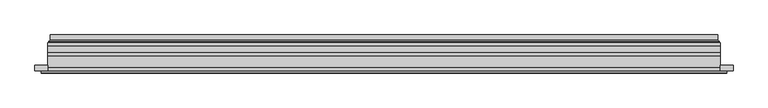
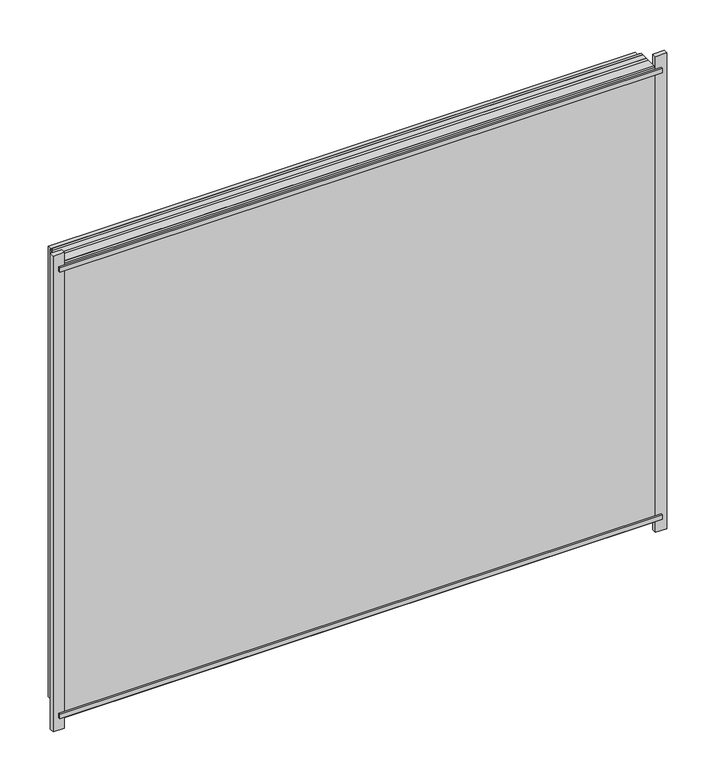
"""IFC4 building model written with IfcOpenShell, lengths in millimetres: plate geometry."""

import ifcopenshell
import ifcopenshell.guid

model = None  # the IFC model being written
_history = None  # IfcOwnerHistory: only IFC2X3 demands one
_inside = {}  # id of a spatial element -> (the spatial element, [elements in it])
_under = {}  # id of a project, library or spatial element -> (it, [spatial elements below it])
_declared = {}  # id of a project -> (the project, [libraries it declares])
_typed = {}  # id of a type object -> (the type object, [elements of that type])
_made_of = {}  # id of a material, layer set ... -> (it, [elements and type objects made of it])


def new_model(schema):
    """Start an empty IFC model of exactly this schema.

    Asked for "IFC4X3", IfcOpenShell would pick the latest addendum, in which some entities
    have other attributes; the version numbers below select the first issue.
    IFC2X3 requires an IfcOwnerHistory on every rooted entity: one is made here for all.
    """
    global model, _history
    if schema == "IFC4X3":
        model = ifcopenshell.file(schema_version=(4, 3, 0, 0))
    else:
        model = ifcopenshell.file(schema=schema)
    _inside.clear()
    _under.clear()
    _declared.clear()
    _typed.clear()
    _made_of.clear()
    _history = None
    if model.schema == "IFC2X3":
        org = make("IfcOrganization", Name="unknown")
        user = make(
            "IfcPersonAndOrganization",
            ThePerson=make("IfcPerson", FamilyName="unknown"),
            TheOrganization=org,
        )
        app = make(
            "IfcApplication",
            ApplicationDeveloper=org,
            Version="unknown",
            ApplicationFullName="unknown",
            ApplicationIdentifier="unknown",
        )
        _history = make(
            "IfcOwnerHistory",
            OwningUser=user,
            OwningApplication=app,
            ChangeAction="ADDED",
            CreationDate=0,
        )
    return model


def make(cls, **values):
    """One entity of the class cls with the attributes given. An attribute that is None is left unset."""
    return model.create_entity(
        cls, **{name: value for name, value in values.items() if value is not None}
    )


def rooted(cls, **values):
    """An entity with a GlobalId (a new one), such as an element, a storey or a relation."""
    return make(cls, GlobalId=ifcopenshell.guid.new(), OwnerHistory=_history, **values)


def si_unit(unit_type, name, prefix=None):
    """IfcSIUnit, for example si_unit("LENGTHUNIT", "METRE", prefix="MILLI")."""
    return make("IfcSIUnit", UnitType=unit_type, Prefix=prefix, Name=name)


def assignment(units):
    """IfcUnitAssignment: the units of a project."""
    return None if units is None else make("IfcUnitAssignment", Units=units)


def point(xyz):
    """IfcCartesianPoint."""
    return None if xyz is None else make("IfcCartesianPoint", Coordinates=xyz)


def direction(xyz):
    """IfcDirection."""
    return None if xyz is None else make("IfcDirection", DirectionRatios=xyz)


def frame(location, z_axis=None, x_axis=None):
    """IfcAxis2Placement3D, a coordinate frame: its origin and axes. An axis left out is left unset."""
    return make(
        "IfcAxis2Placement3D",
        Location=point(location),
        Axis=direction(z_axis),
        RefDirection=direction(x_axis),
    )


def origin():
    """The frame at (0, 0, 0) with its axes left unset."""
    return frame((0.0, 0.0, 0.0))


def place(relative_to, where):
    """IfcLocalPlacement: puts the frame where relative to a parent placement (None: the world)."""
    return make(
        "IfcLocalPlacement", PlacementRelTo=relative_to, RelativePlacement=where
    )


def context(
    kind, dimensions, precision=None, world=None, true_north=None, identifier=None
):
    """IfcGeometricRepresentationContext, for example the 3D "Model" context."""
    return make(
        "IfcGeometricRepresentationContext",
        ContextIdentifier=identifier,
        ContextType=kind,
        CoordinateSpaceDimension=dimensions,
        Precision=precision,
        WorldCoordinateSystem=world,
        TrueNorth=true_north,
    )


def project(units=None, contexts=None):
    """IfcProject with its units and contexts."""
    return rooted(
        "IfcProject",
        Name="project",
        RepresentationContexts=contexts,
        UnitsInContext=assignment(units),
    )


def spatial(cls, under=None, at=None, **own):
    """A site, building, storey or space (cls), placed at a placement, below another one or the project."""
    s = rooted(cls, ObjectPlacement=at, **own)
    if under is not None:
        _under.setdefault(under.id(), (under, []))[1].append(s)
    return s


def polyline(points):
    """IfcPolyline through the points."""
    return make("IfcPolyline", Points=[point(p) for p in points])


def ellipse_curve(where, semi_axis1, semi_axis2):
    """IfcEllipse in the frame where."""
    return make(
        "IfcEllipse", Position=where, SemiAxis1=semi_axis1, SemiAxis2=semi_axis2
    )


def outline(outer, holes=None, kind="AREA"):
    """IfcArbitraryClosedProfileDef: a profile drawn as a closed curve; with holes, ...WithVoids."""
    if holes is None:
        return make("IfcArbitraryClosedProfileDef", ProfileType=kind, OuterCurve=outer)
    return make(
        "IfcArbitraryProfileDefWithVoids",
        ProfileType=kind,
        OuterCurve=outer,
        InnerCurves=holes,
    )


def extrude(swept, where, along, depth):
    """IfcExtrudedAreaSolid: the profile swept, set in the frame where, extruded along a direction by depth."""
    return make(
        "IfcExtrudedAreaSolid",
        SweptArea=swept,
        Position=where,
        ExtrudedDirection=direction(along),
        Depth=depth,
    )


def shape(context_of_items, identifier, shape_type, items):
    """IfcShapeRepresentation: the items that make up one representation, for example the "Body"."""
    return make(
        "IfcShapeRepresentation",
        ContextOfItems=context_of_items,
        RepresentationIdentifier=identifier,
        RepresentationType=shape_type,
        Items=items,
    )


def source(mapping_origin, context_of_items, identifier, shape_type, items):
    """IfcRepresentationMap: a shape defined once, which mapped items show again and again."""
    return make(
        "IfcRepresentationMap",
        MappingOrigin=mapping_origin,
        MappedRepresentation=shape(context_of_items, identifier, shape_type, items),
    )


def transform(
    local_origin,
    x_axis=None,
    y_axis=None,
    z_axis=None,
    scale=None,
    scale2=None,
    scale3=None,
    uniform=True,
):
    """IfcCartesianTransformationOperator3D, or its non-uniform kind. x_axis, y_axis, z_axis: its Axis1, 2, 3."""
    if uniform:
        return make(
            "IfcCartesianTransformationOperator3D",
            Axis1=direction(x_axis),
            Axis2=direction(y_axis),
            LocalOrigin=point(local_origin),
            Scale=scale,
            Axis3=direction(z_axis),
        )
    return make(
        "IfcCartesianTransformationOperator3DnonUniform",
        Axis1=direction(x_axis),
        Axis2=direction(y_axis),
        LocalOrigin=point(local_origin),
        Scale=scale,
        Axis3=direction(z_axis),
        Scale2=scale2,
        Scale3=scale3,
    )


def mapped(mapping_source, mapping_target):
    """IfcMappedItem: shows the shape of a source again, moved by a transform."""
    return make(
        "IfcMappedItem", MappingSource=mapping_source, MappingTarget=mapping_target
    )


def made_of(thing, what):
    """Note that an element or type object is made of a material, layer set ...; save() writes the relation."""
    if what is not None:
        _made_of.setdefault(what.id(), (what, []))[1].append(thing)
    return thing


def element(
    cls,
    number,
    at=None,
    inside=None,
    cuts=None,
    type_object=None,
    material=None,
    context=None,
    identifier="Body",
    shape_type=None,
    held_by="IfcProductDefinitionShape",
    body=None,
    shapes=None,
    **own,
):
    """One element of the class cls, such as IfcWall. Its Tag is "e" and its number.

    at: its placement. inside: the storey or other place that contains it. cuts: it is an
    opening in that element (IfcRelVoidsElement). A single representation is given by context,
    identifier, shape_type and body (its items); several are given by shapes. held_by: the class
    of the entity that holds the representations. save() writes the other relations.
    """
    e = rooted(cls, Tag="e%d" % number, ObjectPlacement=at, **own)
    if body is not None:
        shapes = [shape(context, identifier, shape_type, body)]
    if shapes is not None:
        e.Representation = make(held_by, Representations=shapes)
    if inside is not None:
        _inside.setdefault(inside.id(), (inside, []))[1].append(e)
    if cuts is not None:
        rooted(
            "IfcRelVoidsElement", RelatingBuildingElement=cuts, RelatedOpeningElement=e
        )
    if type_object is not None:
        _typed.setdefault(type_object.id(), (type_object, []))[1].append(e)
    return made_of(e, material)


def aggregate(whole, parts):
    """IfcRelAggregates: a whole, such as a stair, and the parts it consists of."""
    return rooted("IfcRelAggregates", RelatingObject=whole, RelatedObjects=parts)


def save(model, path):
    """Write the relations noted so far, then the file.

    IfcRelAggregates (storeys below a building ...), IfcRelContainedInSpatialStructure (elements
    in a storey), IfcRelDefinesByType, IfcRelAssociatesMaterial and IfcRelDeclares: one each for
    every whole, place, type object, material and project.
    """
    for whole, parts in _under.values():
        aggregate(whole, parts)
    for where, things in _inside.values():
        rooted(
            "IfcRelContainedInSpatialStructure",
            RelatedElements=things,
            RelatingStructure=where,
        )
    for kind, things in _typed.values():
        rooted("IfcRelDefinesByType", RelatedObjects=things, RelatingType=kind)
    for what, things in _made_of.values():
        rooted("IfcRelAssociatesMaterial", RelatedObjects=things, RelatingMaterial=what)
    for by, libraries in _declared.values():
        rooted("IfcRelDeclares", RelatingContext=by, RelatedDefinitions=libraries)
    model.write(path)


def plane_surface(at):
    """IfcPlane: the flat surface through the origin of the frame at, square to its z axis."""
    return make("IfcPlane", Position=at)


def cylinder_surface(at, radius):
    """IfcCylindricalSurface: all points at the distance radius from the z axis of the frame at."""
    return make("IfcCylindricalSurface", Position=at, Radius=radius)


def revolved_surface(curve, axis_point, axis_direction):
    """IfcSurfaceOfRevolution: the curve turned about the line through axis_point along axis_direction."""
    return make(
        "IfcSurfaceOfRevolution",
        SweptCurve=make("IfcArbitraryOpenProfileDef", ProfileType="CURVE", Curve=curve),
        AxisPosition=make("IfcAxis1Placement", Location=point(axis_point), Axis=direction(axis_direction)),
    )


def advanced_brep(points, edges, surfaces, faces):
    """IfcAdvancedBrep: a solid bounded by faces that lie on surfaces and meet in shared edges.

    An edge is (start, end): straight between two places in points (the first is 0);
    or (start, end, curve); or (start, end, curve, False) where it runs against its curve.
    A face is (place in surfaces, loops), or (place, loops, False) where it looks against
    its surface's normal. A loop lists edges by number (the first is 1), with a minus sign
    where the edge is run from its end to its start. The first loop is the outer one.
    """
    corners = [point(p) for p in points]
    vertices = [make("IfcVertexPoint", VertexGeometry=c) for c in corners]
    made = []
    for start, end, *more in edges:
        made.append(
            make(
                "IfcEdgeCurve",
                EdgeStart=vertices[start],
                EdgeEnd=vertices[end],
                EdgeGeometry=more[0] if more else make("IfcPolyline", Points=[corners[start], corners[end]]),
                SameSense=more[1] if len(more) > 1 else True,
            )
        )
    hull = []
    for where, loops, *sense in faces:
        bounds = []
        for j, loop in enumerate(loops):
            ring = [make("IfcOrientedEdge", EdgeElement=made[abs(k) - 1], Orientation=k > 0) for k in loop]
            bounds.append(
                make(
                    "IfcFaceOuterBound" if j == 0 else "IfcFaceBound",
                    Bound=make("IfcEdgeLoop", EdgeList=ring),
                    Orientation=True,
                )
            )
        hull.append(make("IfcAdvancedFace", Bounds=bounds, FaceSurface=surfaces[where], SameSense=sense[0] if sense else True))
    return make("IfcAdvancedBrep", Outer=make("IfcClosedShell", CfsFaces=hull))


def plate_a2f40a4a(model_context):
    return source(origin(), model_context, "Body", "SolidModel", [
        extrude(outline(polyline([(28.0, -579.0), (28.0, 579.0), (961.0000001, 579.0), (961.0000001, -579.0), (28.0, -579.0)]), holes=[polyline([(33.0, 574.0), (33.0, -574.0), (956.0000001, -574.0), (956.0000001, 574.0), (33.0, 574.0)])]), frame((0.0, 0.0, 0.0), z_axis=(0.0, 1.0, 0.0), x_axis=(0.0, 0.0, 1.0)), (0.0, 0.0, 1.0), 12.0),
        extrude(outline(polyline([(6.0, -601.0), (6.0, 601.0), (983.0000001, 601.0), (983.0000001, -601.0), (6.0, -601.0)]), holes=[polyline([(28.0, 579.0), (28.0, -579.0), (961.0000001, -579.0), (961.0000001, 579.0), (28.0, 579.0)])]), frame((0.0, -26.0, 0.0), z_axis=(0.0, 1.0, 0.0), x_axis=(0.0, 0.0, 1.0)), (0.0, 0.0, 1.0), 20.0),
        extrude(outline(polyline([(6.0, -601.0), (6.0, 601.0), (983.0000001, 601.0), (983.0000001, -601.0), (6.0, -601.0)]), holes=[polyline([(28.0, 579.0), (28.0, -579.0), (961.0000001, -579.0), (961.0000001, 579.0), (28.0, 579.0)])]), frame((0.0, -26.0, 0.0), z_axis=(0.0, 1.0, 0.0), x_axis=(0.0, 0.0, 1.0)), (0.0, 0.0, 1.0), 20.0),
        extrude(outline(polyline([(601.0, -6.0), (-601.0, -6.0), (-601.0, 0.0), (601.0, 0.0), (601.0, -6.0)])), frame((0.0, 0.0, 6.0), z_axis=(0.0, 0.0, 1.0), x_axis=(1.0, 0.0, 0.0)), (0.0, 0.0, 1.0), 977.0000001),
        extrude(outline(polyline([(612.5, -36.0), (-612.5, -36.0), (-612.5, -32.0), (612.5, -32.0), (612.5, -36.0)])), frame((0.0, 0.0, 969.5000001), z_axis=(0.0, 0.0, 1.0), x_axis=(1.0, 0.0, 0.0)), (0.0, 0.0, 1.0), 10.0),
        extrude(outline(polyline([(612.5, -36.0), (-612.5, -36.0), (-612.5, -32.0), (612.5, -32.0), (612.5, -36.0)])), frame((0.0, 0.0, 9.5), z_axis=(0.0, 0.0, 1.0), x_axis=(1.0, 0.0, 0.0)), (0.0, 0.0, 1.0), 10.0),
        extrude(outline(polyline([(-624.0, -32.0), (-624.0, -22.51), (-601.0, -22.51), (-601.0, -32.0), (-624.0, -32.0)])), frame((0.0, 0.0, -17.0), z_axis=(0.0, 0.0, 1.0), x_axis=(1.0, 0.0, 0.0)), (0.0, 0.0, 1.0), 1023.0000001),
        extrude(outline(polyline([(624.0, -32.0), (601.0, -32.0), (601.0, -22.51), (624.0, -22.51), (624.0, -32.0)])), frame((0.0, 0.0, -17.0), z_axis=(0.0, 0.0, 1.0), x_axis=(1.0, 0.0, 0.0)), (0.0, 0.0, 1.0), 1023.0000001),
        extrude(outline(polyline([(6.0, -601.0), (6.0, 601.0), (983.0000001, 601.0), (983.0000001, -601.0), (6.0, -601.0)]), holes=[polyline([(28.0, 579.0), (28.0, -579.0), (961.0000001, -579.0), (961.0000001, 579.0), (28.0, 579.0)])]), frame((0.0, 0.0, 0.0), z_axis=(0.0, 1.0, 0.0), x_axis=(0.0, 0.0, 1.0)), (0.0, 0.0, 1.0), 12.0),
        extrude(outline(polyline([(28.0, -579.0), (28.0, 579.0), (961.0000001, 579.0), (961.0000001, -579.0), (28.0, -579.0)]), holes=[polyline([(33.0, 574.0), (33.0, -574.0), (956.0000001, -574.0), (956.0000001, 574.0), (33.0, 574.0)])]), frame((0.0, -26.0, 0.0), z_axis=(0.0, 1.0, 0.0), x_axis=(0.0, 0.0, 1.0)), (0.0, 0.0, 1.0), 20.0),
        extrude(outline(polyline([(601.0, 18.0), (601.0, 12.0), (-601.0, 12.0), (-601.0, 18.0), (601.0, 18.0)])), frame((0.0, 0.0, 6.0), z_axis=(0.0, 0.0, 1.0), x_axis=(1.0, 0.0, 0.0)), (0.0, 0.0, 1.0), 977.0000001),
        extrude(outline(polyline([(-601.0, -32.0), (-601.0, -26.0), (601.0, -26.0), (601.0, -32.0), (-601.0, -32.0)])), frame((0.0, 0.0, 6.0), z_axis=(0.0, 0.0, 1.0), x_axis=(1.0, 0.0, 0.0)), (0.0, 0.0, 1.0), 977.0000001),
        advanced_brep(
        [(587.5000103, 32.0, 19.4999897), (-587.5000103, 32.0, 19.4999897), (-587.5000103, 21.9110895, 19.4999897), (587.5000103, 21.9110895, 19.4999897), (596.4986526, 23.3044663, 10.5013474), (-596.4986526, 23.3044663, 10.5013474), (-596.4986526, 32.0, 10.5013474), (596.4986526, 32.0, 10.5013474), (598.1689727, 20.9442833, 8.8310273), (-598.1689727, 20.9442833, 8.8310273), (597.7544044, 18.0034569, 9.2455956), (-597.7544044, 18.0034569, 9.2455956), (586.5620948, 20.2163959, 20.4379052), (-586.5620948, 20.2163959, 20.4379052), (-587.1992268, 18.0000006, 19.8007732), (587.1992268, 18.0000006, 19.8007732), (-587.5000103, 32.0, 969.5000104), (-587.5000103, 21.9110895, 969.5000104), (-596.4986526, 23.3044663, 978.4986527), (-596.4986526, 32.0, 978.4986527), (-598.1689727, 20.9442833, 980.1689729), (-597.7544044, 18.0034569, 979.7544045), (-586.5620948, 20.2163959, 968.5620949), (-587.1992268, 18.0000006, 969.1992269), (587.5000103, 32.0, 969.5000104), (587.5000103, 21.9110895, 969.5000104), (596.4986526, 23.3044663, 978.4986527), (596.4986526, 32.0, 978.4986527), (598.1689727, 20.9442833, 980.1689729), (597.7544044, 18.0034569, 979.7544045), (586.5620948, 20.2163959, 968.5620949), (587.1992268, 18.0000006, 969.1992269)],
        [
            (0, 1),
            (1, 2),
            (2, 3),
            (3, 0),
            (4, 5),
            (5, 6),
            (6, 7),
            (7, 4),
            (8, 9),
            (9, 5, ellipse_curve(frame((-598.8086832, 23.1681522, 8.1913168), z_axis=(-0.7071067811865475, 0.0, 0.7071067811865475), x_axis=(-0.7071067811865476, 0.0, -0.7071067811865474)), 3.2725594, 2.314049)),
            (4, 8, ellipse_curve(frame((598.8086832, 23.1681522, 8.1913168), z_axis=(0.7071067811865475, 0.0, 0.7071067811865475), x_axis=(-0.7071067811865476, 0.0, 0.7071067811865474)), 3.2725594, 2.314049)),
            (10, 11),
            (11, 9, ellipse_curve(frame((-597.7544044, 19.5030909, 9.2455956), z_axis=(0.7071067811865475, 0.0, -0.7071067811865475), x_axis=(0.7071067811865476, 0.0, 0.7071067811865474)), 2.1208028, 1.4996341)),
            (8, 10, ellipse_curve(frame((597.7544044, 19.5030909, 9.2455956), z_axis=(-0.7071067811865475, 0.0, -0.7071067811865475), x_axis=(0.7071067811865476, 0.0, -0.7071067811865474)), 2.1208028, 1.4996341)),
            (12, 13),
            (13, 14, ellipse_curve(frame((-587.1992268, 19.1997743, 19.8007732), z_axis=(0.7071067811865475, 0.0, -0.7071067811865475), x_axis=(0.7071067811865476, 0.0, 0.7071067811865474)), 1.6967361, 1.1997736)),
            (14, 15),
            (15, 12, ellipse_curve(frame((587.1992268, 19.1997743, 19.8007732), z_axis=(-0.7071067811865475, 0.0, -0.7071067811865475), x_axis=(0.7071067811865476, 0.0, -0.7071067811865474)), 1.6967361, 1.1997736)),
            (2, 13, ellipse_curve(frame((-585.5000051, 21.9110895, 21.4999949), z_axis=(-0.7071067811865475, 0.0, 0.7071067811865475), x_axis=(-0.7071067811865476, 0.0, -0.7071067811865474)), 2.8284345, 2.0000052)),
            (12, 3, ellipse_curve(frame((585.5000051, 21.9110895, 21.4999949), z_axis=(0.7071067811865475, 0.0, 0.7071067811865475), x_axis=(-0.7071067811865476, 0.0, 0.7071067811865474)), 2.8284345, 2.0000052)),
            (1, 16),
            (16, 17),
            (17, 2),
            (5, 18),
            (18, 19),
            (19, 6),
            (9, 20),
            (20, 18, ellipse_curve(frame((-598.8086832, 23.1681522, 980.8086833), z_axis=(0.7071067811865475, 0.0, 0.7071067811865475), x_axis=(-0.7071067811865474, 0.0, 0.7071067811865476)), 3.2725594, 2.314049)),
            (11, 21),
            (21, 20, ellipse_curve(frame((-597.7544044, 19.5030909, 979.7544045), z_axis=(-0.7071067811865475, 0.0, -0.7071067811865475), x_axis=(0.7071067811865474, 0.0, -0.7071067811865476)), 2.1208028, 1.4996341)),
            (13, 22),
            (22, 23, ellipse_curve(frame((-587.1992268, 19.1997743, 969.1992269), z_axis=(-0.7071067811865475, 0.0, -0.7071067811865475), x_axis=(0.7071067811865474, 0.0, -0.7071067811865476)), 1.6967361, 1.1997736)),
            (23, 14),
            (17, 22, ellipse_curve(frame((-585.5000051, 21.9110895, 967.5000052), z_axis=(0.7071067811865475, 0.0, 0.7071067811865475), x_axis=(-0.7071067811865474, 0.0, 0.7071067811865476)), 2.8284345, 2.0000052)),
            (16, 24),
            (24, 25),
            (25, 17),
            (18, 26),
            (26, 27),
            (27, 19),
            (20, 28),
            (28, 26, ellipse_curve(frame((598.8086832, 23.1681522, 980.8086833), z_axis=(0.7071067811865475, 0.0, -0.7071067811865475), x_axis=(0.7071067811865476, 0.0, 0.7071067811865474)), 3.2725594, 2.314049)),
            (21, 29),
            (29, 28, ellipse_curve(frame((597.7544044, 19.5030909, 979.7544045), z_axis=(-0.7071067811865475, 0.0, 0.7071067811865475), x_axis=(-0.7071067811865476, 0.0, -0.7071067811865474)), 2.1208028, 1.4996341)),
            (22, 30),
            (30, 31, ellipse_curve(frame((587.1992268, 19.1997743, 969.1992269), z_axis=(-0.7071067811865475, 0.0, 0.7071067811865475), x_axis=(-0.7071067811865476, 0.0, -0.7071067811865474)), 1.6967361, 1.1997736)),
            (31, 23),
            (25, 30, ellipse_curve(frame((585.5000051, 21.9110895, 967.5000052), z_axis=(0.7071067811865475, 0.0, -0.7071067811865475), x_axis=(0.7071067811865476, 0.0, 0.7071067811865474)), 2.8284345, 2.0000052)),
            (24, 0),
            (3, 25),
            (26, 4),
            (7, 27),
            (28, 8),
            (29, 10),
            (31, 15),
            (30, 12),
        ],
        [
            plane_surface(frame((587.5000103, 21.9110895, 19.4999897), z_axis=(0.0, 0.0, 1.0), x_axis=(-1.0, 0.0, 0.0))),
            plane_surface(frame((596.4986526, 32.0, 10.5013474), z_axis=(0.0, 0.0, -1.0), x_axis=(-1.0, 0.0, 0.0))),
            revolved_surface(polyline([(-601.1227321435756, 25.482201200000002, 8.1913168), (601.1227321435758, 25.482201200000002, 8.1913168)]), (587.5, 23.1681522, 8.1913168), (-1.0, 0.0, 0.0)),
            cylinder_surface(frame((587.5, 19.5030909, 9.2455956), z_axis=(1.0, 0.0, 0.0), x_axis=(0.0, 1.0, 0.0)), 1.4996341),
            cylinder_surface(frame((587.5, 19.1997743, 19.8007732), z_axis=(1.0, 0.0, 0.0), x_axis=(0.0, 1.0, 0.0)), 1.1997736),
            revolved_surface(polyline([(-587.5000103150919, 23.9110947, 21.4999949), (587.5000103150919, 23.9110947, 21.4999949)]), (587.5, 21.9110895, 21.4999949), (-1.0, 0.0, 0.0)),
            plane_surface(frame((-587.5000103, 21.9110895, 19.4999897), z_axis=(1.0, 0.0, 0.0), x_axis=(0.0, 0.0, 1.0))),
            plane_surface(frame((-596.4986526, 32.0, 10.5013474), z_axis=(-1.0, 0.0, 0.0), x_axis=(0.0, 0.0, 1.0))),
            revolved_surface(polyline([(-598.8086832, 25.482201200000002, 983.1227322435758), (-598.8086832, 25.482201200000002, 5.87726785642422)]), (-598.8086832, 23.1681522, 19.5), (0.0, 0.0, 1.0)),
            cylinder_surface(frame((-597.7544044, 19.5030909, 19.5), z_axis=(0.0, 0.0, -1.0), x_axis=(0.0, 1.0, 0.0)), 1.4996341),
            cylinder_surface(frame((-587.1992268, 19.1997743, 19.5), z_axis=(0.0, 0.0, -1.0), x_axis=(0.0, 1.0, 0.0)), 1.1997736),
            revolved_surface(polyline([(-585.5000051, 23.9110947, 969.500010415092), (-585.5000051, 23.9110947, 19.49998968490802)]), (-585.5000051, 21.9110895, 19.5), (0.0, 0.0, 1.0)),
            plane_surface(frame((-587.5000103, 21.9110895, 969.5000104), z_axis=(0.0, 0.0, -1.0), x_axis=(1.0, 0.0, 0.0))),
            plane_surface(frame((-596.4986526, 32.0, 978.4986527), z_axis=(0.0, 0.0, 1.0), x_axis=(1.0, 0.0, 0.0))),
            revolved_surface(polyline([(601.1227321435756, 25.482201200000002, 980.8086833), (-601.1227321435758, 25.482201200000002, 980.8086833)]), (-587.5, 23.1681522, 980.8086833), (1.0, 0.0, 0.0)),
            cylinder_surface(frame((-587.5, 19.5030909, 979.7544045), z_axis=(-1.0, 0.0, 0.0), x_axis=(0.0, 1.0, 0.0)), 1.4996341),
            cylinder_surface(frame((-587.5, 19.1997743, 969.1992269), z_axis=(-1.0, 0.0, 0.0), x_axis=(0.0, 1.0, 0.0)), 1.1997736),
            revolved_surface(polyline([(587.5000103150919, 23.9110947, 967.5000052), (-587.5000103150919, 23.9110947, 967.5000052)]), (-587.5, 21.9110895, 967.5000052), (1.0, 0.0, 0.0)),
            plane_surface(frame((587.5000103, 21.9110895, 969.5000104), z_axis=(-1.0, 0.0, 0.0), x_axis=(0.0, 0.0, -1.0))),
            plane_surface(frame((596.4986526, 32.0, 978.4986527), z_axis=(1.0, 0.0, 0.0), x_axis=(0.0, 0.0, -1.0))),
            revolved_surface(polyline([(598.8086832, 25.482201200000002, 5.877267856424169), (598.8086832, 25.482201200000002, 983.1227322435758)]), (598.8086832, 23.1681522, 969.5000001), (0.0, 0.0, -1.0)),
            cylinder_surface(frame((597.7544044, 19.5030909, 969.5000001), z_axis=(0.0, 0.0, 1.0), x_axis=(0.0, 1.0, 0.0)), 1.4996341),
            plane_surface(frame((597.7544044, 18.0000006, 979.7544045), z_axis=(0.0, -1.0, 0.0), x_axis=(0.0, 0.0, -1.0))),
            cylinder_surface(frame((587.1992268, 19.1997743, 969.5000001), z_axis=(0.0, 0.0, 1.0), x_axis=(0.0, 1.0, 0.0)), 1.1997736),
            revolved_surface(polyline([(585.5000051, 23.9110947, 19.499989684908087), (585.5000051, 23.9110947, 969.500010415092)]), (585.5000051, 21.9110895, 969.5000001), (0.0, 0.0, -1.0)),
            plane_surface(frame((587.5000103, 32.0, 969.5000104), z_axis=(0.0, 1.0, 0.0), x_axis=(0.0, 0.0, -1.0))),
        ],
        [
            (0, [[1, 2, 3, 4]]),
            (1, [[5, 6, 7, 8]]),
            (2, [[9, 10, -5, 11]]),
            (3, [[12, 13, -9, 14]]),
            (4, [[15, 16, 17, 18]]),
            (5, [[-3, 19, -15, 20]]),
            (6, [[21, 22, 23, -2]]),
            (7, [[24, 25, 26, -6]]),
            (8, [[27, 28, -24, -10]]),
            (9, [[29, 30, -27, -13]]),
            (10, [[31, 32, 33, -16]]),
            (11, [[-23, 34, -31, -19]]),
            (12, [[35, 36, 37, -22]]),
            (13, [[38, 39, 40, -25]]),
            (14, [[41, 42, -38, -28]]),
            (15, [[43, 44, -41, -30]]),
            (16, [[45, 46, 47, -32]]),
            (17, [[-37, 48, -45, -34]]),
            (18, [[49, -4, 50, -36]]),
            (19, [[51, -8, 52, -39]]),
            (20, [[53, -11, -51, -42]]),
            (21, [[54, -14, -53, -44]]),
            (22, [[-12, -54, -43, -29], [-17, -33, -47, 55]]),
            (23, [[56, -18, -55, -46]]),
            (24, [[-50, -20, -56, -48]]),
            (25, [[-7, -26, -40, -52], [-1, -49, -35, -21]]),
        ],
    ),
    ])


if __name__ == "__main__":
    model = new_model("IFC4")
    model_context = context("Model", 3, world=origin())
    ifc_project = project(units=[si_unit("LENGTHUNIT", "METRE", prefix="MILLI")], contexts=[model_context])
    site = spatial("IfcSite", under=ifc_project)
    building = spatial("IfcBuilding", under=site)
    placement = place(None, origin())
    plate_shape = plate_a2f40a4a(model_context)
    element("IfcPlate", 1, at=placement, inside=building, context=model_context, shape_type="MappedRepresentation", body=[
        mapped(plate_shape, transform((0.0, 0.0, 0.0), x_axis=(1.0, 0.0, 0.0), y_axis=(0.0, 1.0, 0.0), z_axis=(0.0, 0.0, 1.0))),
    ])
    save(model, "model.ifc")
